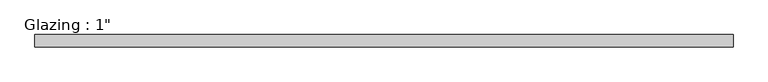
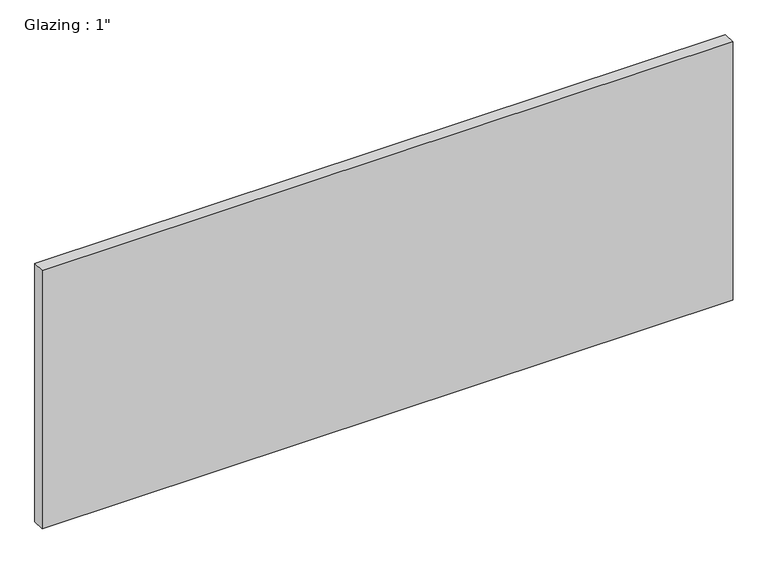
"""IFC4 building model written with IfcOpenShell, lengths in millimetres: plate geometry."""

from ifc_helpers import new_model, si_unit, origin, origin_with_axes, place, context, project, spatial, polyline, outline, extrude, source, transform, mapped, element, save


def plate_a7bd1f9e(model_context):
    return source(origin(), model_context, "Body", "SweptSolid", [
        extrude(outline(polyline([(712.1415297, -12.7), (-712.1415297, -12.7), (-712.1415297, 12.7), (712.1415297, 12.7), (712.1415297, -12.7)])), origin_with_axes(), (0.0, 0.0, 1.0), 563.17901),
    ])


if __name__ == "__main__":
    model = new_model("IFC4")
    model_context = context("Model", 3, world=origin())
    ifc_project = project(units=[si_unit("LENGTHUNIT", "METRE", prefix="MILLI")], contexts=[model_context])
    site = spatial("IfcSite", under=ifc_project)
    building = spatial("IfcBuilding", under=site)
    placement = place(None, origin())
    plate_shape = plate_a7bd1f9e(model_context)
    element("IfcPlate", 1, ObjectType="Glazing : 1\"", at=placement, inside=building, context=model_context, shape_type="MappedRepresentation", body=[
        mapped(plate_shape, transform((0.0, 0.0, 0.0), x_axis=(1.0, 0.0, 0.0), y_axis=(0.0, 1.0, 0.0), z_axis=(0.0, 0.0, 1.0))),
    ])
    save(model, "model.ifc")
